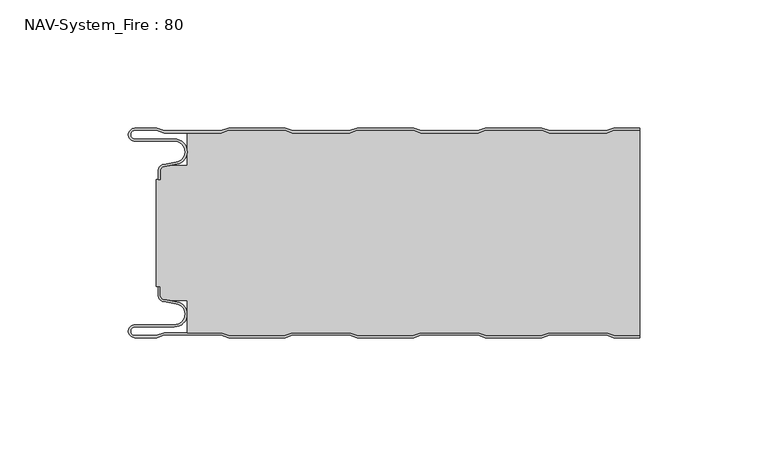
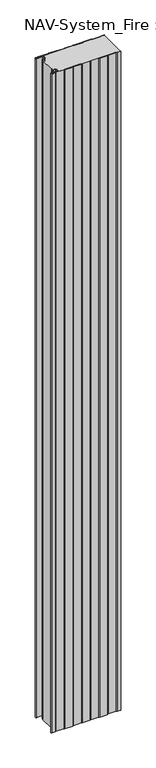
"""IFC4 building model written with IfcOpenShell, lengths in millimetres: plate geometry, NAV-System_Fire : 80."""

from ifc_helpers import new_model, si_unit, frame, origin, place, context, project, spatial, polyline, circle_curve, source, transform, mapped, element, save
from ifc_brep_helpers import plane_surface, cylinder_surface, revolved_surface, advanced_brep


def nav_system_fire_80_85278172(model_context):
    return source(origin(), model_context, "Body", "AdvancedBrep", [
        advanced_brep(
        [(-88.6298221, -0.8, 0.0), (-97.0000001, -0.8, 0.0), (-97.0000001, -4.1999999, 0.0), (-81.6002086, -4.1999999, 0.0), (-80.7423864, -14.0049502, 0.0), (-85.6125665, -14.8636946, 0.0), (-87.1000004, -16.6363494, 0.0), (-87.1000014, -19.9421291, 0.0), (-87.9000014, -19.9421291, 0.0), (-87.9000014, -16.6363484, 0.0), (-85.7514853, -14.0758488, 0.0), (-80.8813015, -13.217104, 0.0), (-81.600205, -4.9999999, 0.0), (-97.0000001, -4.9999999, 0.0), (-97.0000001, 0.0, 0.0), (-88.5, 0.0, 0.0), (-85.5, -1.0, 0.0), (-63.5, -1.0, 0.0), (-60.5, 0.0, 0.0), (-38.5, 0.0, 0.0), (-35.5, -1.0, 0.0), (-13.5, -1.0, 0.0), (-10.5, 0.0, 0.0), (11.5, 0.0, 0.0), (14.5, -1.0, 0.0), (36.5, -1.0, 0.0), (39.5, 0.0, 0.0), (61.5, 0.0, 0.0), (64.5, -1.0, 0.0), (86.5, -1.0, 0.0), (89.5, 0.0, 0.0), (99.5, 0.0, 0.0), (99.5, -0.8, 0.0), (89.6298221, -0.8, 0.0), (86.6298221, -1.8, 0.0), (64.3701779, -1.8, 0.0), (61.3701779, -0.8, 0.0), (39.6298221, -0.8, 0.0), (36.6298221, -1.8, 0.0), (14.3701779, -1.8, 0.0), (11.3701779, -0.8, 0.0), (-10.3701779, -0.8, 0.0), (-13.3701779, -1.8, 0.0), (-35.6298221, -1.8, 0.0), (-38.6298221, -0.8, 0.0), (-60.3701779, -0.8, 0.0), (-63.3701779, -1.8, 0.0), (-85.6298221, -1.8, 0.0), (-88.6298221, -0.8, 2000.0), (-85.6298221, -1.8, 2000.0), (-63.3701779, -1.8, 2000.0), (-60.3701779, -0.8, 2000.0), (-38.6298221, -0.8, 2000.0), (-35.6298221, -1.8, 2000.0), (-13.3701779, -1.8, 2000.0), (-10.3701779, -0.8, 2000.0), (11.3701779, -0.8, 2000.0), (14.3701779, -1.8, 2000.0), (36.6298221, -1.8, 2000.0), (39.6298221, -0.8, 2000.0), (61.3701779, -0.8, 2000.0), (64.3701779, -1.8, 2000.0), (86.6298221, -1.8, 2000.0), (89.6298221, -0.8, 2000.0), (99.5, -0.8, 2000.0), (99.5, 0.0, 2000.0), (89.5, 0.0, 2000.0), (86.5, -1.0, 2000.0), (64.5, -1.0, 2000.0), (61.5, 0.0, 2000.0), (39.5, 0.0, 2000.0), (36.5, -1.0, 2000.0), (14.5, -1.0, 2000.0), (11.5, 0.0, 2000.0), (-10.5, 0.0, 2000.0), (-13.5, -1.0, 2000.0), (-35.5, -1.0, 2000.0), (-38.5, 0.0, 2000.0), (-60.5, 0.0, 2000.0), (-63.5, -1.0, 2000.0), (-85.5, -1.0, 2000.0), (-88.5, 0.0, 2000.0), (-97.0000001, 0.0, 2000.0), (-97.0000001, -4.9999999, 2000.0), (-81.600205, -4.9999999, 2000.0), (-80.8813015, -13.217104, 2000.0), (-85.7514853, -14.0758488, 2000.0), (-87.8999997, -16.6363484, 2000.0), (-87.9000014, -19.9421291, 2000.0), (-87.1000014, -19.9421291, 2000.0), (-87.1000014, -16.6363494, 2000.0), (-85.6125665, -14.8636946, 2000.0), (-80.7423864, -14.0049502, 2000.0), (-81.6002086, -4.1999999, 2000.0), (-97.0000001, -4.1999999, 2000.0), (-97.0000001, -0.8000002, 2000.0)],
        [
            (0, 1),
            (1, 2, circle_curve(frame((-97.0000001, -2.5, 0.0), z_axis=(0.0, 0.0, 1.0), x_axis=(1.0, 0.0, 0.0)), 1.6999999)),
            (2, 3),
            (3, 4, circle_curve(frame((-81.6002086, -9.1399999, 0.0), z_axis=(0.0, 0.0, -1.0), x_axis=(1.0, 0.0, 0.0)), 4.94)),
            (4, 5),
            (5, 6, circle_curve(frame((-85.2999995, -16.6363494, 0.0), z_axis=(0.0, 0.0, 1.0), x_axis=(1.0, 0.0, 0.0)), 1.8000009)),
            (6, 7),
            (7, 8),
            (8, 9),
            (9, 10, circle_curve(frame((-85.3000002, -16.6363484, 0.0), z_axis=(0.0, 0.0, -1.0), x_axis=(1.0, 0.0, 0.0)), 2.5999995)),
            (10, 11),
            (11, 12, circle_curve(frame((-81.600205, -9.1399999, 0.0), z_axis=(0.0, 0.0, 1.0), x_axis=(1.0, 0.0, 0.0)), 4.14)),
            (12, 13),
            (13, 14, circle_curve(frame((-97.0000001, -2.4999999, 0.0), z_axis=(0.0, 0.0, -1.0), x_axis=(1.0, 0.0, 0.0)), 2.4999999)),
            (14, 15),
            (15, 16),
            (16, 17),
            (17, 18),
            (18, 19),
            (19, 20),
            (20, 21),
            (21, 22),
            (22, 23),
            (23, 24),
            (24, 25),
            (25, 26),
            (26, 27),
            (27, 28),
            (28, 29),
            (29, 30),
            (30, 31),
            (31, 32),
            (32, 33),
            (33, 34),
            (34, 35),
            (35, 36),
            (36, 37),
            (37, 38),
            (38, 39),
            (39, 40),
            (40, 41),
            (41, 42),
            (42, 43),
            (43, 44),
            (44, 45),
            (45, 46),
            (46, 47),
            (47, 0),
            (48, 49),
            (49, 50),
            (50, 51),
            (51, 52),
            (52, 53),
            (53, 54),
            (54, 55),
            (55, 56),
            (56, 57),
            (57, 58),
            (58, 59),
            (59, 60),
            (60, 61),
            (61, 62),
            (62, 63),
            (63, 64),
            (64, 65),
            (65, 66),
            (66, 67),
            (67, 68),
            (68, 69),
            (69, 70),
            (70, 71),
            (71, 72),
            (72, 73),
            (73, 74),
            (74, 75),
            (75, 76),
            (76, 77),
            (77, 78),
            (78, 79),
            (79, 80),
            (80, 81),
            (81, 82),
            (82, 83, circle_curve(frame((-97.0000001, -2.4999999, 2000.0), z_axis=(0.0, 0.0, 1.0), x_axis=(1.0, 0.0, 0.0)), 2.4999999)),
            (83, 84),
            (84, 85, circle_curve(frame((-81.600205, -9.1399999, 2000.0), z_axis=(0.0, 0.0, -1.0), x_axis=(1.0, 0.0, 0.0)), 4.14)),
            (85, 86),
            (86, 87, circle_curve(frame((-85.3000002, -16.6363484, 2000.0), z_axis=(0.0, 0.0, 1.0), x_axis=(1.0, 0.0, 0.0)), 2.5999995)),
            (87, 88),
            (88, 89),
            (89, 90),
            (90, 91, circle_curve(frame((-85.2999995, -16.6363494, 2000.0), z_axis=(0.0, 0.0, -1.0), x_axis=(1.0, 0.0, 0.0)), 1.8000009)),
            (91, 92),
            (92, 93, circle_curve(frame((-81.6002086, -9.1399999, 2000.0), z_axis=(0.0, 0.0, 1.0), x_axis=(1.0, 0.0, 0.0)), 4.94)),
            (93, 94),
            (94, 95, circle_curve(frame((-97.0000001, -2.5, 2000.0), z_axis=(0.0, 0.0, -1.0), x_axis=(1.0, 0.0, 0.0)), 1.6999999)),
            (95, 48),
            (0, 48),
            (95, 1),
            (14, 82),
            (81, 15),
            (63, 33),
            (32, 64),
            (62, 34),
            (61, 35),
            (60, 36),
            (59, 37),
            (58, 38),
            (57, 39),
            (56, 40),
            (55, 41),
            (54, 42),
            (53, 43),
            (52, 44),
            (51, 45),
            (50, 46),
            (49, 47),
            (80, 16),
            (79, 17),
            (78, 18),
            (77, 19),
            (76, 20),
            (75, 21),
            (74, 22),
            (73, 23),
            (72, 24),
            (71, 25),
            (70, 26),
            (69, 27),
            (68, 28),
            (67, 29),
            (66, 30),
            (65, 31),
            (2, 94),
            (93, 3),
            (6, 90),
            (89, 7),
            (88, 8),
            (87, 9),
            (12, 84),
            (83, 13),
            (92, 4),
            (91, 5),
            (86, 10),
            (85, 11),
        ],
        [
            plane_surface(frame((-99.5, 0.0, 0.0), z_axis=(0.0, 0.0, -1.0), x_axis=(0.0, -1.0, 0.0))),
            plane_surface(frame((-99.5, 0.0, 2000.0), z_axis=(0.0, 0.0, 1.0), x_axis=(0.0, -1.0, 0.0))),
            plane_surface(frame((-88.6298221, -0.8, 0.0), z_axis=(0.0, -1.0, 0.0), x_axis=(0.0, 0.0, 1.0))),
            plane_surface(frame((-97.0000001, 0.0, 0.0), z_axis=(0.0, 1.0, 0.0), x_axis=(0.0, 0.0, 1.0))),
            plane_surface(frame((111.3701779, -0.8, 0.0), z_axis=(0.0, -1.0, 0.0), x_axis=(0.0, 0.0, 1.0))),
            plane_surface(frame((89.6298221, -0.8, 0.0), z_axis=(0.3162277660167413, -0.9486832980505461, 0.0), x_axis=(0.0, 0.0, 1.0))),
            plane_surface(frame((86.6298221, -1.8, 0.0), z_axis=(0.0, -1.0, 0.0), x_axis=(0.0, 0.0, 1.0))),
            plane_surface(frame((64.3701779, -1.8, 0.0), z_axis=(-0.31622776601675356, -0.948683298050542, 0.0), x_axis=(0.0, 0.0, 1.0))),
            plane_surface(frame((61.3701779, -0.8, 0.0), z_axis=(0.0, -1.0, 0.0), x_axis=(0.0, 0.0, 1.0))),
            plane_surface(frame((39.6298221, -0.8, 0.0), z_axis=(0.31622776601679226, -0.9486832980505291, 0.0), x_axis=(0.0, 0.0, 1.0))),
            plane_surface(frame((36.6298221, -1.8, 0.0), z_axis=(0.0, -1.0, 0.0), x_axis=(0.0, 0.0, 1.0))),
            plane_surface(frame((14.3701779, -1.8, 0.0), z_axis=(-0.3162277660168045, -0.948683298050525, 0.0), x_axis=(0.0, 0.0, 1.0))),
            plane_surface(frame((11.3701779, -0.8, 0.0), z_axis=(0.0, -1.0, 0.0), x_axis=(0.0, 0.0, 1.0))),
            plane_surface(frame((-10.3701779, -0.8, 0.0), z_axis=(0.31622776601679226, -0.9486832980505291, 0.0), x_axis=(0.0, 0.0, 1.0))),
            plane_surface(frame((-13.3701779, -1.8, 0.0), z_axis=(0.0, -1.0, 0.0), x_axis=(0.0, 0.0, 1.0))),
            plane_surface(frame((-35.6298221, -1.8, 0.0), z_axis=(-0.3162277660168045, -0.948683298050525, 0.0), x_axis=(0.0, 0.0, 1.0))),
            plane_surface(frame((-38.6298221, -0.8, 0.0), z_axis=(0.0, -1.0, 0.0), x_axis=(0.0, 0.0, 1.0))),
            plane_surface(frame((-60.3701779, -0.8, 0.0), z_axis=(0.3162277660167413, -0.9486832980505461, 0.0), x_axis=(0.0, 0.0, 1.0))),
            plane_surface(frame((-63.3701779, -1.8, 0.0), z_axis=(0.0, -1.0, 0.0), x_axis=(0.0, 0.0, 1.0))),
            plane_surface(frame((-85.6298221, -1.8, 0.0), z_axis=(-0.3162277660167413, -0.9486832980505461, 0.0), x_axis=(0.0, 0.0, 1.0))),
            plane_surface(frame((-88.5, 0.0, 0.0), z_axis=(0.31622776601671865, 0.9486832980505536, 0.0), x_axis=(0.0, 0.0, 1.0))),
            plane_surface(frame((-85.5, -1.0, 0.0), z_axis=(0.0, 1.0, 0.0), x_axis=(0.0, 0.0, 1.0))),
            plane_surface(frame((-63.5, -1.0, 0.0), z_axis=(-0.31622776601671865, 0.9486832980505536, 0.0), x_axis=(0.0, 0.0, 1.0))),
            plane_surface(frame((-60.5, 0.0, 0.0), z_axis=(0.0, 1.0, 0.0), x_axis=(0.0, 0.0, 1.0))),
            plane_surface(frame((-38.5, 0.0, 0.0), z_axis=(0.31622776601678754, 0.9486832980505306, 0.0), x_axis=(0.0, 0.0, 1.0))),
            plane_surface(frame((-35.5, -1.0, 0.0), z_axis=(0.0, 1.0, 0.0), x_axis=(0.0, 0.0, 1.0))),
            plane_surface(frame((-13.5, -1.0, 0.0), z_axis=(-0.3162277660167752, 0.9486832980505348, 0.0), x_axis=(0.0, 0.0, 1.0))),
            plane_surface(frame((-10.5, 0.0, 0.0), z_axis=(0.0, 1.0, 0.0), x_axis=(0.0, 0.0, 1.0))),
            plane_surface(frame((11.5, 0.0, 0.0), z_axis=(0.31622776601678754, 0.9486832980505306, 0.0), x_axis=(0.0, 0.0, 1.0))),
            plane_surface(frame((14.5, -1.0, 0.0), z_axis=(0.0, 1.0, 0.0), x_axis=(0.0, 0.0, 1.0))),
            plane_surface(frame((36.5, -1.0, 0.0), z_axis=(-0.3162277660167752, 0.9486832980505348, 0.0), x_axis=(0.0, 0.0, 1.0))),
            plane_surface(frame((39.5, 0.0, 0.0), z_axis=(0.0, 1.0, 0.0), x_axis=(0.0, 0.0, 1.0))),
            plane_surface(frame((61.5, 0.0, 0.0), z_axis=(0.3162277660167309, 0.9486832980505495, 0.0), x_axis=(0.0, 0.0, 1.0))),
            plane_surface(frame((64.5, -1.0, 0.0), z_axis=(0.0, 1.0, 0.0), x_axis=(0.0, 0.0, 1.0))),
            plane_surface(frame((86.5, -1.0, 0.0), z_axis=(-0.31622776601671865, 0.9486832980505536, 0.0), x_axis=(0.0, 0.0, 1.0))),
            plane_surface(frame((89.5, 0.0, 0.0), z_axis=(0.0, 1.0, 0.0), x_axis=(0.0, 0.0, 1.0))),
            plane_surface(frame((-97.0000001, -4.1999999, 0.0), z_axis=(0.0, 1.0, 0.0), x_axis=(0.0, 0.0, 1.0))),
            plane_surface(frame((-87.1000014, -16.6363494, 0.0), z_axis=(1.0, 0.0, 0.0), x_axis=(0.0, 0.0, 1.0))),
            plane_surface(frame((-87.1000014, -19.9421291, 0.0), z_axis=(0.0, -1.0, 0.0), x_axis=(0.0, 0.0, 1.0))),
            plane_surface(frame((-87.9000014, -19.9421291, 0.0), z_axis=(-1.0, 0.0, 0.0), x_axis=(0.0, 0.0, 1.0))),
            plane_surface(frame((-81.600205, -4.9999999, 0.0), z_axis=(0.0, -1.0, 0.0), x_axis=(0.0, 0.0, 1.0))),
            revolved_surface(polyline([(-95.3000002, -2.5, 2000.0), (-95.3000002, -2.5, 0.0)]), (-97.0000001, -2.5, 0.0), (0.0, 0.0, 1.0)),
            cylinder_surface(frame((-81.6002086, -9.1399999, 0.0), z_axis=(0.0, 0.0, -1.0), x_axis=(1.0, 0.0, 0.0)), 4.94),
            plane_surface(frame((-80.7423864, -14.0049502, 0.0), z_axis=(0.17364822279076972, -0.9848077450556567, 0.0), x_axis=(0.0, 0.0, 1.0))),
            revolved_surface(polyline([(-83.4999986, -16.6363494, 2000.0), (-83.4999986, -16.6363494, 0.0)]), (-85.2999995, -16.6363494, 0.0), (0.0, 0.0, 1.0)),
            cylinder_surface(frame((-85.3000002, -16.6363484, 0.0), z_axis=(0.0, 0.0, -1.0), x_axis=(1.0, 0.0, 0.0)), 2.5999995),
            plane_surface(frame((-85.7514853, -14.0758488, 0.0), z_axis=(-0.17364817295915452, 0.984807753842316, 0.0), x_axis=(0.0, 0.0, 1.0))),
            revolved_surface(polyline([(-77.460205, -9.1399999, 2000.0), (-77.460205, -9.1399999, 0.0)]), (-81.600205, -9.1399999, 0.0), (0.0, 0.0, 1.0)),
            cylinder_surface(frame((-97.0000001, -2.4999999, 0.0), z_axis=(0.0, 0.0, -1.0), x_axis=(1.0, 0.0, 0.0)), 2.4999999),
            plane_surface(frame((99.5, 100.0, 2000.0), z_axis=(1.0, 0.0, 0.0), x_axis=(0.0, 0.0, -1.0))),
        ],
        [
            (0, [[1, 2, 3, 4, 5, 6, 7, 8, 9, 10, 11, 12, 13, 14, 15, 16, 17, 18, 19, 20, 21, 22, 23, 24, 25, 26, 27, 28, 29, 30, 31, 32, 33, 34, 35, 36, 37, 38, 39, 40, 41, 42, 43, 44, 45, 46, 47, 48]]),
            (1, [[49, 50, 51, 52, 53, 54, 55, 56, 57, 58, 59, 60, 61, 62, 63, 64, 65, 66, 67, 68, 69, 70, 71, 72, 73, 74, 75, 76, 77, 78, 79, 80, 81, 82, 83, 84, 85, 86, 87, 88, 89, 90, 91, 92, 93, 94, 95, 96]]),
            (2, [[-1, 97, -96, 98]]),
            (3, [[-15, 99, -82, 100]]),
            (4, [[101, -33, 102, -64]]),
            (5, [[-34, -101, -63, 103]]),
            (6, [[-35, -103, -62, 104]]),
            (7, [[-36, -104, -61, 105]]),
            (8, [[-37, -105, -60, 106]]),
            (9, [[-38, -106, -59, 107]]),
            (10, [[-39, -107, -58, 108]]),
            (11, [[-40, -108, -57, 109]]),
            (12, [[-41, -109, -56, 110]]),
            (13, [[-42, -110, -55, 111]]),
            (14, [[-43, -111, -54, 112]]),
            (15, [[-44, -112, -53, 113]]),
            (16, [[-45, -113, -52, 114]]),
            (17, [[-46, -114, -51, 115]]),
            (18, [[-47, -115, -50, 116]]),
            (19, [[-48, -116, -49, -97]]),
            (20, [[-16, -100, -81, 117]]),
            (21, [[-17, -117, -80, 118]]),
            (22, [[-18, -118, -79, 119]]),
            (23, [[-19, -119, -78, 120]]),
            (24, [[-20, -120, -77, 121]]),
            (25, [[-21, -121, -76, 122]]),
            (26, [[-22, -122, -75, 123]]),
            (27, [[-23, -123, -74, 124]]),
            (28, [[-24, -124, -73, 125]]),
            (29, [[-25, -125, -72, 126]]),
            (30, [[-26, -126, -71, 127]]),
            (31, [[-27, -127, -70, 128]]),
            (32, [[-28, -128, -69, 129]]),
            (33, [[-29, -129, -68, 130]]),
            (34, [[-30, -130, -67, 131]]),
            (35, [[-131, -66, 132, -31]]),
            (36, [[-3, 133, -94, 134]]),
            (37, [[-7, 135, -90, 136]]),
            (38, [[-8, -136, -89, 137]]),
            (39, [[-9, -137, -88, 138]]),
            (40, [[-13, 139, -84, 140]]),
            (41, [[-2, -98, -95, -133]]),
            (42, [[-4, -134, -93, 141]]),
            (43, [[-5, -141, -92, 142]]),
            (44, [[-6, -142, -91, -135]]),
            (45, [[-10, -138, -87, 143]]),
            (46, [[-11, -143, -86, 144]]),
            (47, [[-12, -144, -85, -139]]),
            (48, [[-14, -140, -83, -99]]),
            (49, [[-32, -132, -65, -102]]),
        ],
    ),
        advanced_brep(
        [(89.6298221, -0.8, 2000.0), (86.6298221, -1.8, 2000.0), (64.3701779, -1.8, 2000.0), (61.3701779, -0.8, 2000.0), (39.6298221, -0.8, 2000.0), (36.6298221, -1.8, 2000.0), (14.3701779, -1.8, 2000.0), (11.3701779, -0.8, 2000.0), (-10.3701779, -0.8, 2000.0), (-13.3701779, -1.8, 2000.0), (-35.6298221, -1.8, 2000.0), (-38.6298221, -0.8, 2000.0), (-60.3701779, -0.8, 2000.0), (-63.3701779, -1.8, 2000.0), (-76.6602086, -1.8, 2000.0), (-76.6602086, -14.4343223, 2000.0), (-83.1774784, -14.4343223, 2000.0), (-85.6125665, -14.8636942, 2000.0), (-87.1000004, -16.636349, 2000.0), (-87.1000004, -19.9487816, 2000.0), (-88.6502227, -19.9487816, 2000.0), (-88.6502227, -61.6487997, 2000.0), (-87.1000014, -61.6487997, 2000.0), (-87.1000014, -64.963651, 2000.0), (-85.6125665, -66.7363054, 2000.0), (-83.1774762, -67.1656777, 2000.0), (-76.6602086, -67.1656777, 2000.0), (-76.6602086, -79.8, 2000.0), (-63.3701779, -79.8, 2000.0), (-60.3701779, -80.8, 2000.0), (-38.6298221, -80.8, 2000.0), (-35.6298221, -79.8, 2000.0), (-13.3701779, -79.8, 2000.0), (-10.3701779, -80.8, 2000.0), (11.3701779, -80.8, 2000.0), (14.3701779, -79.8, 2000.0), (36.6298221, -79.8, 2000.0), (39.6298221, -80.8, 2000.0), (61.3701779, -80.8, 2000.0), (64.3701779, -79.8, 2000.0), (86.6298221, -79.8, 2000.0), (89.6298221, -80.8, 2000.0), (99.5, -80.8, 2000.0), (99.5, -0.8, 2000.0), (89.6298221, -80.8, 0.0), (86.6298221, -79.8, 0.0), (64.3701779, -79.8, 0.0), (61.3701779, -80.8, 0.0), (39.6298221, -80.8, 0.0), (36.6298221, -79.8, 0.0), (14.3701779, -79.8, 0.0), (11.3701779, -80.8, 0.0), (-10.3701779, -80.8, 0.0), (-13.3701779, -79.8, 0.0), (-35.6298221, -79.8, 0.0), (-38.6298221, -80.8, 0.0), (-60.3701779, -80.8, 0.0), (-63.3701779, -79.8, 0.0), (-76.6602086, -79.8, 0.0), (-76.6602086, -67.1656777, 0.0), (-83.1774762, -67.1656777, 0.0), (-85.6125665, -66.7363054, 0.0), (-87.1000004, -64.963651, 0.0), (-87.1000014, -61.6487997, 0.0), (-88.6502227, -61.6487997, 0.0), (-88.6502227, -19.9487816, 0.0), (-87.1000004, -19.9487816, 0.0), (-87.1000004, -16.636349, 0.0), (-85.6125665, -14.8636942, 0.0), (-83.1774784, -14.4343223, 0.0), (-76.6602086, -14.4343223, 0.0), (-76.6602086, -1.8, 0.0), (-63.3701779, -1.8, 0.0), (-60.3701779, -0.8, 0.0), (-38.6298221, -0.8, 0.0), (-35.6298221, -1.8, 0.0), (-13.3701779, -1.8, 0.0), (-10.3701779, -0.8, 0.0), (11.3701779, -0.8, 0.0), (14.3701779, -1.8, 0.0), (36.6298221, -1.8, 0.0), (39.6298221, -0.8, 0.0), (61.3701779, -0.8, 0.0), (64.3701779, -1.8, 0.0), (86.6298221, -1.8, 0.0), (89.6298221, -0.8, 0.0), (99.5, -0.8, 0.0), (99.5, -80.8, 0.0)],
        [
            (0, 1),
            (1, 2),
            (2, 3),
            (3, 4),
            (4, 5),
            (5, 6),
            (6, 7),
            (7, 8),
            (8, 9),
            (9, 10),
            (10, 11),
            (11, 12),
            (12, 13),
            (13, 14),
            (14, 15),
            (15, 16),
            (16, 17),
            (17, 18, circle_curve(frame((-85.2999995, -16.636349, 2000.0), z_axis=(0.0, 0.0, 1.0), x_axis=(1.0, 0.0, 0.0)), 1.8000009)),
            (18, 19),
            (19, 20),
            (20, 21),
            (21, 22),
            (22, 23),
            (23, 24, circle_curve(frame((-85.2999995, -64.9636506, 2000.0), z_axis=(0.0, 0.0, 1.0), x_axis=(1.0, 0.0, 0.0)), 1.8000009)),
            (24, 25),
            (25, 26),
            (26, 27),
            (27, 28),
            (28, 29),
            (29, 30),
            (30, 31),
            (31, 32),
            (32, 33),
            (33, 34),
            (34, 35),
            (35, 36),
            (36, 37),
            (37, 38),
            (38, 39),
            (39, 40),
            (40, 41),
            (41, 42),
            (42, 43),
            (43, 0),
            (44, 45),
            (45, 46),
            (46, 47),
            (47, 48),
            (48, 49),
            (49, 50),
            (50, 51),
            (51, 52),
            (52, 53),
            (53, 54),
            (54, 55),
            (55, 56),
            (56, 57),
            (57, 58),
            (58, 59),
            (59, 60),
            (60, 61),
            (61, 62, circle_curve(frame((-85.2999995, -64.9636506, 0.0), z_axis=(0.0, 0.0, -1.0), x_axis=(1.0, 0.0, 0.0)), 1.8000009)),
            (62, 63),
            (63, 64),
            (64, 65),
            (65, 66),
            (66, 67),
            (67, 68, circle_curve(frame((-85.2999995, -16.636349, 0.0), z_axis=(0.0, 0.0, -1.0), x_axis=(1.0, 0.0, 0.0)), 1.8000009)),
            (68, 69),
            (69, 70),
            (70, 71),
            (71, 72),
            (72, 73),
            (73, 74),
            (74, 75),
            (75, 76),
            (76, 77),
            (77, 78),
            (78, 79),
            (79, 80),
            (80, 81),
            (81, 82),
            (82, 83),
            (83, 84),
            (84, 85),
            (85, 86),
            (86, 87),
            (87, 44),
            (85, 0),
            (43, 86),
            (84, 1),
            (83, 2),
            (82, 3),
            (81, 4),
            (80, 5),
            (79, 6),
            (78, 7),
            (77, 8),
            (76, 9),
            (75, 10),
            (74, 11),
            (73, 12),
            (72, 13),
            (71, 14),
            (27, 58),
            (57, 28),
            (56, 29),
            (55, 30),
            (54, 31),
            (53, 32),
            (52, 33),
            (51, 34),
            (50, 35),
            (49, 36),
            (48, 37),
            (47, 38),
            (46, 39),
            (45, 40),
            (44, 41),
            (87, 42),
            (70, 15),
            (69, 16),
            (18, 67),
            (66, 19),
            (65, 20),
            (64, 21),
            (25, 60),
            (59, 26),
            (68, 17),
            (63, 22),
            (62, 23),
            (61, 24),
        ],
        [
            plane_surface(frame((-99.5, 0.0, 2000.0), z_axis=(0.0, 0.0, 1.0), x_axis=(0.0, -1.0, 0.0))),
            plane_surface(frame((-99.5, 0.0, 0.0), z_axis=(0.0, 0.0, -1.0), x_axis=(0.0, -1.0, 0.0))),
            plane_surface(frame((111.3701779, -0.8, 2000.0), z_axis=(0.0, 1.0, 0.0), x_axis=(0.0, 0.0, -1.0))),
            plane_surface(frame((89.6298221, -0.8, 2000.0), z_axis=(-0.3162277660167413, 0.9486832980505461, 0.0), x_axis=(0.0, 0.0, -1.0))),
            plane_surface(frame((86.6298221, -1.8, 2000.0), z_axis=(0.0, 1.0, 0.0), x_axis=(0.0, 0.0, -1.0))),
            plane_surface(frame((64.3701779, -1.8, 2000.0), z_axis=(0.31622776601675356, 0.948683298050542, 0.0), x_axis=(0.0, 0.0, -1.0))),
            plane_surface(frame((61.3701779, -0.8, 2000.0), z_axis=(0.0, 1.0, 0.0), x_axis=(0.0, 0.0, -1.0))),
            plane_surface(frame((39.6298221, -0.8, 2000.0), z_axis=(-0.31622776601679226, 0.9486832980505291, 0.0), x_axis=(0.0, 0.0, -1.0))),
            plane_surface(frame((36.6298221, -1.8, 2000.0), z_axis=(0.0, 1.0, 0.0), x_axis=(0.0, 0.0, -1.0))),
            plane_surface(frame((14.3701779, -1.8, 2000.0), z_axis=(0.3162277660168045, 0.948683298050525, 0.0), x_axis=(0.0, 0.0, -1.0))),
            plane_surface(frame((11.3701779, -0.8, 2000.0), z_axis=(0.0, 1.0, 0.0), x_axis=(0.0, 0.0, -1.0))),
            plane_surface(frame((-10.3701779, -0.8, 2000.0), z_axis=(-0.31622776601679226, 0.9486832980505291, 0.0), x_axis=(0.0, 0.0, -1.0))),
            plane_surface(frame((-13.3701779, -1.8, 2000.0), z_axis=(0.0, 1.0, 0.0), x_axis=(0.0, 0.0, -1.0))),
            plane_surface(frame((-35.6298221, -1.8, 2000.0), z_axis=(0.3162277660168045, 0.948683298050525, 0.0), x_axis=(0.0, 0.0, -1.0))),
            plane_surface(frame((-38.6298221, -0.8, 2000.0), z_axis=(0.0, 1.0, 0.0), x_axis=(0.0, 0.0, -1.0))),
            plane_surface(frame((-60.3701779, -0.8, 2000.0), z_axis=(-0.3162277660167413, 0.9486832980505461, 0.0), x_axis=(0.0, 0.0, -1.0))),
            plane_surface(frame((-63.3701779, -1.8, 2000.0), z_axis=(0.0, 1.0, 0.0), x_axis=(0.0, 0.0, -1.0))),
            plane_surface(frame((-76.6602086, -79.8, 2000.0), z_axis=(0.0, -1.0, 0.0), x_axis=(0.0, 0.0, -1.0))),
            plane_surface(frame((-63.3701779, -79.8, 2000.0), z_axis=(-0.3162277660167994, -0.9486832980505266, 0.0), x_axis=(0.0, 0.0, -1.0))),
            plane_surface(frame((-60.3701779, -80.8, 2000.0), z_axis=(0.0, -1.0, 0.0), x_axis=(0.0, 0.0, -1.0))),
            plane_surface(frame((-38.6298221, -80.8, 2000.0), z_axis=(0.3162277660166068, -0.9486832980505908, 0.0), x_axis=(0.0, 0.0, -1.0))),
            plane_surface(frame((-35.6298221, -79.8, 2000.0), z_axis=(0.0, -1.0, 0.0), x_axis=(0.0, 0.0, -1.0))),
            plane_surface(frame((-13.3701779, -79.8, 2000.0), z_axis=(-0.3162277660169856, -0.9486832980504646, 0.0), x_axis=(0.0, 0.0, -1.0))),
            plane_surface(frame((-10.3701779, -80.8, 2000.0), z_axis=(0.0, -1.0, 0.0), x_axis=(0.0, 0.0, -1.0))),
            plane_surface(frame((11.3701779, -80.8, 2000.0), z_axis=(0.3162277660165394, -0.9486832980506134, 0.0), x_axis=(0.0, 0.0, -1.0))),
            plane_surface(frame((14.3701779, -79.8, 2000.0), z_axis=(0.0, -1.0, 0.0), x_axis=(0.0, 0.0, -1.0))),
            plane_surface(frame((36.6298221, -79.8, 2000.0), z_axis=(-0.31622776601699204, -0.9486832980504625, 0.0), x_axis=(0.0, 0.0, -1.0))),
            plane_surface(frame((39.6298221, -80.8, 2000.0), z_axis=(0.0, -1.0, 0.0), x_axis=(0.0, 0.0, -1.0))),
            plane_surface(frame((61.3701779, -80.8, 2000.0), z_axis=(0.31622776601646235, -0.948683298050639, 0.0), x_axis=(0.0, 0.0, -1.0))),
            plane_surface(frame((64.3701779, -79.8, 2000.0), z_axis=(0.0, -1.0, 0.0), x_axis=(0.0, 0.0, -1.0))),
            plane_surface(frame((86.6298221, -79.8, 2000.0), z_axis=(-0.31622776601685726, -0.9486832980505074, 0.0), x_axis=(0.0, 0.0, -1.0))),
            plane_surface(frame((89.6298221, -80.8, 2000.0), z_axis=(0.0, -1.0, 0.0), x_axis=(0.0, 0.0, -1.0))),
            plane_surface(frame((-76.6602086, -1.8, 2000.0), z_axis=(-1.0, 0.0, 0.0), x_axis=(0.0, 0.0, -1.0))),
            plane_surface(frame((-76.6602086, -14.4343223, 2000.0), z_axis=(0.0, 1.0, 0.0), x_axis=(0.0, 0.0, -1.0))),
            plane_surface(frame((-87.1000004, -16.636349, 2000.0), z_axis=(-1.0, 0.0, 0.0), x_axis=(0.0, 0.0, -1.0))),
            plane_surface(frame((-87.1000004, -19.9487816, 2000.0), z_axis=(0.0, 1.0, 0.0), x_axis=(0.0, 0.0, -1.0))),
            plane_surface(frame((-88.6502227, -19.9487816, 2000.0), z_axis=(-1.0, 0.0, 0.0), x_axis=(0.0, 0.0, -1.0))),
            plane_surface(frame((-83.1774762, -67.1656777, 2000.0), z_axis=(0.0, -1.0, 0.0), x_axis=(0.0, 0.0, -1.0))),
            plane_surface(frame((-76.6602086, -67.1656777, 2000.0), z_axis=(-1.0, 0.0, 0.0), x_axis=(0.0, 0.0, -1.0))),
            plane_surface(frame((-83.1774784, -14.4343223, 2000.0), z_axis=(-0.17364822279076972, 0.9848077450556567, 0.0), x_axis=(0.0, 0.0, -1.0))),
            cylinder_surface(frame((-85.2999995, -16.636349, 2000.0), z_axis=(0.0, 0.0, 1.0), x_axis=(1.0, 0.0, 0.0)), 1.8000009),
            plane_surface(frame((-88.6502227, -61.6487997, 2000.0), z_axis=(0.0, -1.0, 0.0), x_axis=(0.0, 0.0, -1.0))),
            plane_surface(frame((-87.1000014, -61.6487997, 2000.0), z_axis=(-1.0, 0.0, 0.0), x_axis=(0.0, 0.0, -1.0))),
            cylinder_surface(frame((-85.2999995, -64.9636506, 2000.0), z_axis=(0.0, 0.0, 1.0), x_axis=(1.0, 0.0, 0.0)), 1.8000009),
            plane_surface(frame((-85.6125665, -66.7363054, 2000.0), z_axis=(-0.17364822279077433, -0.9848077450556558, 0.0), x_axis=(0.0, 0.0, -1.0))),
            plane_surface(frame((99.5, 100.0, 2000.0), z_axis=(1.0, 0.0, 0.0), x_axis=(0.0, 0.0, -1.0))),
        ],
        [
            (0, [[1, 2, 3, 4, 5, 6, 7, 8, 9, 10, 11, 12, 13, 14, 15, 16, 17, 18, 19, 20, 21, 22, 23, 24, 25, 26, 27, 28, 29, 30, 31, 32, 33, 34, 35, 36, 37, 38, 39, 40, 41, 42, 43, 44]]),
            (1, [[45, 46, 47, 48, 49, 50, 51, 52, 53, 54, 55, 56, 57, 58, 59, 60, 61, 62, 63, 64, 65, 66, 67, 68, 69, 70, 71, 72, 73, 74, 75, 76, 77, 78, 79, 80, 81, 82, 83, 84, 85, 86, 87, 88]]),
            (2, [[89, -44, 90, -86]]),
            (3, [[-1, -89, -85, 91]]),
            (4, [[-2, -91, -84, 92]]),
            (5, [[-3, -92, -83, 93]]),
            (6, [[-4, -93, -82, 94]]),
            (7, [[-5, -94, -81, 95]]),
            (8, [[-6, -95, -80, 96]]),
            (9, [[-7, -96, -79, 97]]),
            (10, [[-8, -97, -78, 98]]),
            (11, [[-9, -98, -77, 99]]),
            (12, [[-10, -99, -76, 100]]),
            (13, [[-11, -100, -75, 101]]),
            (14, [[-12, -101, -74, 102]]),
            (15, [[-13, -102, -73, 103]]),
            (16, [[-14, -103, -72, 104]]),
            (17, [[-28, 105, -58, 106]]),
            (18, [[-29, -106, -57, 107]]),
            (19, [[-30, -107, -56, 108]]),
            (20, [[-31, -108, -55, 109]]),
            (21, [[-32, -109, -54, 110]]),
            (22, [[-33, -110, -53, 111]]),
            (23, [[-34, -111, -52, 112]]),
            (24, [[-35, -112, -51, 113]]),
            (25, [[-36, -113, -50, 114]]),
            (26, [[-37, -114, -49, 115]]),
            (27, [[-38, -115, -48, 116]]),
            (28, [[-39, -116, -47, 117]]),
            (29, [[-40, -117, -46, 118]]),
            (30, [[-41, -118, -45, 119]]),
            (31, [[-119, -88, 120, -42]]),
            (32, [[-15, -104, -71, 121]]),
            (33, [[-16, -121, -70, 122]]),
            (34, [[-19, 123, -67, 124]]),
            (35, [[-20, -124, -66, 125]]),
            (36, [[-21, -125, -65, 126]]),
            (37, [[-26, 127, -60, 128]]),
            (38, [[-27, -128, -59, -105]]),
            (39, [[-17, -122, -69, 129]]),
            (40, [[-18, -129, -68, -123]]),
            (41, [[-22, -126, -64, 130]]),
            (42, [[-23, -130, -63, 131]]),
            (43, [[-24, -131, -62, 132]]),
            (44, [[-25, -132, -61, -127]]),
            (45, [[-43, -120, -87, -90]]),
        ],
    ),
        advanced_brep(
        [(-88.6298221, -80.8, 2000.0), (-97.0000001, -80.8, 2000.0), (-97.0000001, -77.4000001, 2000.0), (-81.6002086, -77.4000001, 2000.0), (-80.7423864, -67.5950498, 2000.0), (-85.6125665, -66.7363054, 2000.0), (-87.1000004, -64.9636506, 2000.0), (-87.1000014, -61.6578709, 2000.0), (-87.9000014, -61.6578709, 2000.0), (-87.9000014, -64.9636516, 2000.0), (-85.7514853, -67.5241512, 2000.0), (-80.8813015, -68.382896, 2000.0), (-81.600205, -76.6000001, 2000.0), (-97.0000001, -76.6000001, 2000.0), (-97.0000001, -81.6, 2000.0), (-88.5, -81.6, 2000.0), (-85.5, -80.6, 2000.0), (-63.5, -80.6, 2000.0), (-60.5, -81.6, 2000.0), (-38.5, -81.6, 2000.0), (-35.5, -80.6, 2000.0), (-13.5, -80.6, 2000.0), (-10.5, -81.6, 2000.0), (11.5, -81.6, 2000.0), (14.5, -80.6, 2000.0), (36.5, -80.6, 2000.0), (39.5, -81.6, 2000.0), (61.5, -81.6, 2000.0), (64.5, -80.6, 2000.0), (86.5, -80.6, 2000.0), (89.5, -81.6, 2000.0), (99.5, -81.6, 2000.0), (99.5, -80.8, 2000.0), (89.6298221, -80.8, 2000.0), (86.6298221, -79.8, 2000.0), (64.3701779, -79.8, 2000.0), (61.3701779, -80.8, 2000.0), (39.6298221, -80.8, 2000.0), (36.6298221, -79.8, 2000.0), (14.3701779, -79.8, 2000.0), (11.3701779, -80.8, 2000.0), (-10.3701779, -80.8, 2000.0), (-13.3701779, -79.8, 2000.0), (-35.6298221, -79.8, 2000.0), (-38.6298221, -80.8, 2000.0), (-60.3701779, -80.8, 2000.0), (-63.3701779, -79.8, 2000.0), (-85.6298221, -79.8, 2000.0), (-88.6298221, -80.8, 0.0), (-85.6298221, -79.8, 0.0), (-63.3701779, -79.8, 0.0), (-60.3701779, -80.8, 0.0), (-38.6298221, -80.8, 0.0), (-35.6298221, -79.8, 0.0), (-13.3701779, -79.8, 0.0), (-10.3701779, -80.8, 0.0), (11.3701779, -80.8, 0.0), (14.3701779, -79.8, 0.0), (36.6298221, -79.8, 0.0), (39.6298221, -80.8, 0.0), (61.3701779, -80.8, 0.0), (64.3701779, -79.8, 0.0), (86.6298221, -79.8, 0.0), (89.6298221, -80.8, 0.0), (99.5, -80.8, 0.0), (99.5, -81.6, 0.0), (89.5, -81.6, 0.0), (86.5, -80.6, 0.0), (64.5, -80.6, 0.0), (61.5, -81.6, 0.0), (39.5, -81.6, 0.0), (36.5, -80.6, 0.0), (14.5, -80.6, 0.0), (11.5, -81.6, 0.0), (-10.5, -81.6, 0.0), (-13.5, -80.6, 0.0), (-35.5, -80.6, 0.0), (-38.5, -81.6, 0.0), (-60.5, -81.6, 0.0), (-63.5, -80.6, 0.0), (-85.5, -80.6, 0.0), (-88.5, -81.6, 0.0), (-97.0000001, -81.6, 0.0), (-97.0000001, -76.6000001, 0.0), (-81.600205, -76.6000001, 0.0), (-80.8813015, -68.382896, 0.0), (-85.7514853, -67.5241512, 0.0), (-87.8999997, -64.9636516, 0.0), (-87.9000014, -61.6578709, 0.0), (-87.1000014, -61.6578709, 0.0), (-87.1000014, -64.9636506, 0.0), (-85.6125665, -66.7363054, 0.0), (-80.7423864, -67.5950498, 0.0), (-81.6002086, -77.4000001, 0.0), (-97.0000001, -77.4000001, 0.0), (-97.0000001, -80.7999998, 0.0)],
        [
            (0, 1),
            (1, 2, circle_curve(frame((-97.0000001, -79.1, 2000.0), z_axis=(0.0, 0.0, -1.0), x_axis=(1.0, 0.0, 0.0)), 1.6999999)),
            (2, 3),
            (3, 4, circle_curve(frame((-81.6002086, -72.4600001, 2000.0), z_axis=(0.0, 0.0, 1.0), x_axis=(1.0, 0.0, 0.0)), 4.94)),
            (4, 5),
            (5, 6, circle_curve(frame((-85.2999995, -64.9636506, 2000.0), z_axis=(0.0, 0.0, -1.0), x_axis=(1.0, 0.0, 0.0)), 1.8000009)),
            (6, 7),
            (7, 8),
            (8, 9),
            (9, 10, circle_curve(frame((-85.3000002, -64.9636516, 2000.0), z_axis=(0.0, 0.0, 1.0), x_axis=(1.0, 0.0, 0.0)), 2.5999995)),
            (10, 11),
            (11, 12, circle_curve(frame((-81.600205, -72.4600001, 2000.0), z_axis=(0.0, 0.0, -1.0), x_axis=(1.0, 0.0, 0.0)), 4.14)),
            (12, 13),
            (13, 14, circle_curve(frame((-97.0000001, -79.1000001, 2000.0), z_axis=(0.0, 0.0, 1.0), x_axis=(1.0, 0.0, 0.0)), 2.4999999)),
            (14, 15),
            (15, 16),
            (16, 17),
            (17, 18),
            (18, 19),
            (19, 20),
            (20, 21),
            (21, 22),
            (22, 23),
            (23, 24),
            (24, 25),
            (25, 26),
            (26, 27),
            (27, 28),
            (28, 29),
            (29, 30),
            (30, 31),
            (31, 32),
            (32, 33),
            (33, 34),
            (34, 35),
            (35, 36),
            (36, 37),
            (37, 38),
            (38, 39),
            (39, 40),
            (40, 41),
            (41, 42),
            (42, 43),
            (43, 44),
            (44, 45),
            (45, 46),
            (46, 47),
            (47, 0),
            (48, 49),
            (49, 50),
            (50, 51),
            (51, 52),
            (52, 53),
            (53, 54),
            (54, 55),
            (55, 56),
            (56, 57),
            (57, 58),
            (58, 59),
            (59, 60),
            (60, 61),
            (61, 62),
            (62, 63),
            (63, 64),
            (64, 65),
            (65, 66),
            (66, 67),
            (67, 68),
            (68, 69),
            (69, 70),
            (70, 71),
            (71, 72),
            (72, 73),
            (73, 74),
            (74, 75),
            (75, 76),
            (76, 77),
            (77, 78),
            (78, 79),
            (79, 80),
            (80, 81),
            (81, 82),
            (82, 83, circle_curve(frame((-97.0000001, -79.1000001, 0.0), z_axis=(0.0, 0.0, -1.0), x_axis=(1.0, 0.0, 0.0)), 2.4999999)),
            (83, 84),
            (84, 85, circle_curve(frame((-81.600205, -72.4600001, 0.0), z_axis=(0.0, 0.0, 1.0), x_axis=(1.0, 0.0, 0.0)), 4.14)),
            (85, 86),
            (86, 87, circle_curve(frame((-85.3000002, -64.9636516, 0.0), z_axis=(0.0, 0.0, -1.0), x_axis=(1.0, 0.0, 0.0)), 2.5999995)),
            (87, 88),
            (88, 89),
            (89, 90),
            (90, 91, circle_curve(frame((-85.2999995, -64.9636506, 0.0), z_axis=(0.0, 0.0, 1.0), x_axis=(1.0, 0.0, 0.0)), 1.8000009)),
            (91, 92),
            (92, 93, circle_curve(frame((-81.6002086, -72.4600001, 0.0), z_axis=(0.0, 0.0, -1.0), x_axis=(1.0, 0.0, 0.0)), 4.94)),
            (93, 94),
            (94, 95, circle_curve(frame((-97.0000001, -79.1, 0.0), z_axis=(0.0, 0.0, 1.0), x_axis=(1.0, 0.0, 0.0)), 1.6999999)),
            (95, 48),
            (14, 82),
            (81, 15),
            (0, 48),
            (95, 1),
            (63, 33),
            (32, 64),
            (62, 34),
            (61, 35),
            (60, 36),
            (59, 37),
            (58, 38),
            (57, 39),
            (56, 40),
            (55, 41),
            (54, 42),
            (53, 43),
            (52, 44),
            (51, 45),
            (50, 46),
            (49, 47),
            (80, 16),
            (79, 17),
            (78, 18),
            (77, 19),
            (76, 20),
            (75, 21),
            (74, 22),
            (73, 23),
            (72, 24),
            (71, 25),
            (70, 26),
            (69, 27),
            (68, 28),
            (67, 29),
            (66, 30),
            (65, 31),
            (2, 94),
            (93, 3),
            (6, 90),
            (89, 7),
            (88, 8),
            (87, 9),
            (12, 84),
            (83, 13),
            (92, 4),
            (91, 5),
            (86, 10),
            (85, 11),
        ],
        [
            plane_surface(frame((-99.5, -81.6, 2000.0), z_axis=(0.0, 0.0, 1.0), x_axis=(-1.0, 0.0, 0.0))),
            plane_surface(frame((-99.5, -81.6, 0.0), z_axis=(0.0, 0.0, -1.0), x_axis=(-1.0, 0.0, 0.0))),
            plane_surface(frame((-97.0000001, -81.6, 2000.0), z_axis=(0.0, -1.0, 0.0), x_axis=(0.0, 0.0, -1.0))),
            plane_surface(frame((-88.6298221, -80.8, 2000.0), z_axis=(0.0, 1.0, 0.0), x_axis=(0.0, 0.0, -1.0))),
            plane_surface(frame((111.3701779, -80.8, 2000.0), z_axis=(0.0, 1.0, 0.0), x_axis=(0.0, 0.0, -1.0))),
            plane_surface(frame((89.6298221, -80.8, 2000.0), z_axis=(0.3162277660167412, 0.9486832980505461, 0.0), x_axis=(0.0, 0.0, -1.0))),
            plane_surface(frame((86.6298221, -79.8, 2000.0), z_axis=(0.0, 1.0, 0.0), x_axis=(0.0, 0.0, -1.0))),
            plane_surface(frame((64.3701779, -79.8, 2000.0), z_axis=(-0.3162277660167537, 0.948683298050542, 0.0), x_axis=(0.0, 0.0, -1.0))),
            plane_surface(frame((61.3701779, -80.8, 2000.0), z_axis=(0.0, 1.0, 0.0), x_axis=(0.0, 0.0, -1.0))),
            plane_surface(frame((39.6298221, -80.8, 2000.0), z_axis=(0.31622776601679214, 0.9486832980505291, 0.0), x_axis=(0.0, 0.0, -1.0))),
            plane_surface(frame((36.6298221, -79.8, 2000.0), z_axis=(0.0, 1.0, 0.0), x_axis=(0.0, 0.0, -1.0))),
            plane_surface(frame((14.3701779, -79.8, 2000.0), z_axis=(-0.31622776601680463, 0.948683298050525, 0.0), x_axis=(0.0, 0.0, -1.0))),
            plane_surface(frame((11.3701779, -80.8, 2000.0), z_axis=(0.0, 1.0, 0.0), x_axis=(0.0, 0.0, -1.0))),
            plane_surface(frame((-10.3701779, -80.8, 2000.0), z_axis=(0.31622776601679214, 0.9486832980505291, 0.0), x_axis=(0.0, 0.0, -1.0))),
            plane_surface(frame((-13.3701779, -79.8, 2000.0), z_axis=(0.0, 1.0, 0.0), x_axis=(0.0, 0.0, -1.0))),
            plane_surface(frame((-35.6298221, -79.8, 2000.0), z_axis=(-0.31622776601680463, 0.948683298050525, 0.0), x_axis=(0.0, 0.0, -1.0))),
            plane_surface(frame((-38.6298221, -80.8, 2000.0), z_axis=(0.0, 1.0, 0.0), x_axis=(0.0, 0.0, -1.0))),
            plane_surface(frame((-60.3701779, -80.8, 2000.0), z_axis=(0.3162277660167412, 0.9486832980505461, 0.0), x_axis=(0.0, 0.0, -1.0))),
            plane_surface(frame((-63.3701779, -79.8, 2000.0), z_axis=(0.0, 1.0, 0.0), x_axis=(0.0, 0.0, -1.0))),
            plane_surface(frame((-85.6298221, -79.8, 2000.0), z_axis=(-0.3162277660167414, 0.9486832980505461, 0.0), x_axis=(0.0, 0.0, -1.0))),
            plane_surface(frame((-88.5, -81.6, 2000.0), z_axis=(0.31622776601671876, -0.9486832980505536, 0.0), x_axis=(0.0, 0.0, -1.0))),
            plane_surface(frame((-85.5, -80.6, 2000.0), z_axis=(0.0, -1.0, 0.0), x_axis=(0.0, 0.0, -1.0))),
            plane_surface(frame((-63.5, -80.6, 2000.0), z_axis=(-0.31622776601671854, -0.9486832980505536, 0.0), x_axis=(0.0, 0.0, -1.0))),
            plane_surface(frame((-60.5, -81.6, 2000.0), z_axis=(0.0, -1.0, 0.0), x_axis=(0.0, 0.0, -1.0))),
            plane_surface(frame((-38.5, -81.6, 2000.0), z_axis=(0.31622776601678765, -0.9486832980505306, 0.0), x_axis=(0.0, 0.0, -1.0))),
            plane_surface(frame((-35.5, -80.6, 2000.0), z_axis=(0.0, -1.0, 0.0), x_axis=(0.0, 0.0, -1.0))),
            plane_surface(frame((-13.5, -80.6, 2000.0), z_axis=(-0.3162277660167751, -0.9486832980505348, 0.0), x_axis=(0.0, 0.0, -1.0))),
            plane_surface(frame((-10.5, -81.6, 2000.0), z_axis=(0.0, -1.0, 0.0), x_axis=(0.0, 0.0, -1.0))),
            plane_surface(frame((11.5, -81.6, 2000.0), z_axis=(0.31622776601678765, -0.9486832980505306, 0.0), x_axis=(0.0, 0.0, -1.0))),
            plane_surface(frame((14.5, -80.6, 2000.0), z_axis=(0.0, -1.0, 0.0), x_axis=(0.0, 0.0, -1.0))),
            plane_surface(frame((36.5, -80.6, 2000.0), z_axis=(-0.3162277660167751, -0.9486832980505348, 0.0), x_axis=(0.0, 0.0, -1.0))),
            plane_surface(frame((39.5, -81.6, 2000.0), z_axis=(0.0, -1.0, 0.0), x_axis=(0.0, 0.0, -1.0))),
            plane_surface(frame((61.5, -81.6, 2000.0), z_axis=(0.316227766016731, -0.9486832980505495, 0.0), x_axis=(0.0, 0.0, -1.0))),
            plane_surface(frame((64.5, -80.6, 2000.0), z_axis=(0.0, -1.0, 0.0), x_axis=(0.0, 0.0, -1.0))),
            plane_surface(frame((86.5, -80.6, 2000.0), z_axis=(-0.31622776601671854, -0.9486832980505536, 0.0), x_axis=(0.0, 0.0, -1.0))),
            plane_surface(frame((89.5, -81.6, 2000.0), z_axis=(0.0, -1.0, 0.0), x_axis=(0.0, 0.0, -1.0))),
            plane_surface(frame((-97.0000001, -77.4000001, 2000.0), z_axis=(0.0, -1.0, 0.0), x_axis=(0.0, 0.0, -1.0))),
            plane_surface(frame((-87.1000014, -64.9636506, 2000.0), z_axis=(1.0, 0.0, 0.0), x_axis=(0.0, 0.0, -1.0))),
            plane_surface(frame((-87.1000014, -61.6578709, 2000.0), z_axis=(0.0, 1.0, 0.0), x_axis=(0.0, 0.0, -1.0))),
            plane_surface(frame((-87.9000014, -61.6578709, 2000.0), z_axis=(-1.0, 0.0, 0.0), x_axis=(0.0, 0.0, -1.0))),
            plane_surface(frame((-81.600205, -76.6000001, 2000.0), z_axis=(0.0, 1.0, 0.0), x_axis=(0.0, 0.0, -1.0))),
            revolved_surface(polyline([(-95.3000002, -79.1, 0.0), (-95.3000002, -79.1, 2000.0)]), (-97.0000001, -79.1, 2000.0), (0.0, 0.0, -1.0)),
            cylinder_surface(frame((-81.6002086, -72.4600001, 2000.0), z_axis=(0.0, 0.0, 1.0), x_axis=(1.0, 0.0, 0.0)), 4.94),
            plane_surface(frame((-80.7423864, -67.5950498, 2000.0), z_axis=(0.17364822279076958, 0.9848077450556567, 0.0), x_axis=(0.0, 0.0, -1.0))),
            revolved_surface(polyline([(-83.4999986, -64.9636506, 0.0), (-83.4999986, -64.9636506, 2000.0)]), (-85.2999995, -64.9636506, 2000.0), (0.0, 0.0, -1.0)),
            cylinder_surface(frame((-85.3000002, -64.9636516, 2000.0), z_axis=(0.0, 0.0, 1.0), x_axis=(1.0, 0.0, 0.0)), 2.5999995),
            plane_surface(frame((-85.7514853, -67.5241512, 2000.0), z_axis=(-0.17364817295915438, -0.984807753842316, 0.0), x_axis=(0.0, 0.0, -1.0))),
            revolved_surface(polyline([(-77.460205, -72.4600001, 0.0), (-77.460205, -72.4600001, 2000.0)]), (-81.600205, -72.4600001, 2000.0), (0.0, 0.0, -1.0)),
            cylinder_surface(frame((-97.0000001, -79.1000001, 2000.0), z_axis=(0.0, 0.0, 1.0), x_axis=(1.0, 0.0, 0.0)), 2.4999999),
            plane_surface(frame((99.5, 100.0, 2000.0), z_axis=(1.0, 0.0, 0.0), x_axis=(0.0, 0.0, -1.0))),
        ],
        [
            (0, [[1, 2, 3, 4, 5, 6, 7, 8, 9, 10, 11, 12, 13, 14, 15, 16, 17, 18, 19, 20, 21, 22, 23, 24, 25, 26, 27, 28, 29, 30, 31, 32, 33, 34, 35, 36, 37, 38, 39, 40, 41, 42, 43, 44, 45, 46, 47, 48]]),
            (1, [[49, 50, 51, 52, 53, 54, 55, 56, 57, 58, 59, 60, 61, 62, 63, 64, 65, 66, 67, 68, 69, 70, 71, 72, 73, 74, 75, 76, 77, 78, 79, 80, 81, 82, 83, 84, 85, 86, 87, 88, 89, 90, 91, 92, 93, 94, 95, 96]]),
            (2, [[-15, 97, -82, 98]]),
            (3, [[-1, 99, -96, 100]]),
            (4, [[101, -33, 102, -64]]),
            (5, [[-34, -101, -63, 103]]),
            (6, [[-35, -103, -62, 104]]),
            (7, [[-36, -104, -61, 105]]),
            (8, [[-37, -105, -60, 106]]),
            (9, [[-38, -106, -59, 107]]),
            (10, [[-39, -107, -58, 108]]),
            (11, [[-40, -108, -57, 109]]),
            (12, [[-41, -109, -56, 110]]),
            (13, [[-42, -110, -55, 111]]),
            (14, [[-43, -111, -54, 112]]),
            (15, [[-44, -112, -53, 113]]),
            (16, [[-45, -113, -52, 114]]),
            (17, [[-46, -114, -51, 115]]),
            (18, [[-47, -115, -50, 116]]),
            (19, [[-48, -116, -49, -99]]),
            (20, [[-16, -98, -81, 117]]),
            (21, [[-17, -117, -80, 118]]),
            (22, [[-18, -118, -79, 119]]),
            (23, [[-19, -119, -78, 120]]),
            (24, [[-20, -120, -77, 121]]),
            (25, [[-21, -121, -76, 122]]),
            (26, [[-22, -122, -75, 123]]),
            (27, [[-23, -123, -74, 124]]),
            (28, [[-24, -124, -73, 125]]),
            (29, [[-25, -125, -72, 126]]),
            (30, [[-26, -126, -71, 127]]),
            (31, [[-27, -127, -70, 128]]),
            (32, [[-28, -128, -69, 129]]),
            (33, [[-29, -129, -68, 130]]),
            (34, [[-30, -130, -67, 131]]),
            (35, [[-131, -66, 132, -31]]),
            (36, [[-3, 133, -94, 134]]),
            (37, [[-7, 135, -90, 136]]),
            (38, [[-8, -136, -89, 137]]),
            (39, [[-9, -137, -88, 138]]),
            (40, [[-13, 139, -84, 140]]),
            (41, [[-2, -100, -95, -133]]),
            (42, [[-4, -134, -93, 141]]),
            (43, [[-5, -141, -92, 142]]),
            (44, [[-6, -142, -91, -135]]),
            (45, [[-10, -138, -87, 143]]),
            (46, [[-11, -143, -86, 144]]),
            (47, [[-12, -144, -85, -139]]),
            (48, [[-14, -140, -83, -97]]),
            (49, [[-32, -132, -65, -102]]),
        ],
    ),
    ])


if __name__ == "__main__":
    model = new_model("IFC4")
    model_context = context("Model", 3, world=origin())
    ifc_project = project(units=[si_unit("LENGTHUNIT", "METRE", prefix="MILLI")], contexts=[model_context])
    site = spatial("IfcSite", under=ifc_project)
    building = spatial("IfcBuilding", under=site)
    placement = place(None, origin())
    nav_system_fire_80_shape = nav_system_fire_80_85278172(model_context)
    element("IfcPlate", 1, ObjectType="NAV-System_Fire : 80", at=placement, inside=building, context=model_context, shape_type="MappedRepresentation", body=[
        mapped(nav_system_fire_80_shape, transform((0.0, 0.0, 0.0), x_axis=(1.0, 0.0, 0.0), y_axis=(0.0, 1.0, 0.0), z_axis=(0.0, 0.0, 1.0))),
    ])
    save(model, "model.ifc")
